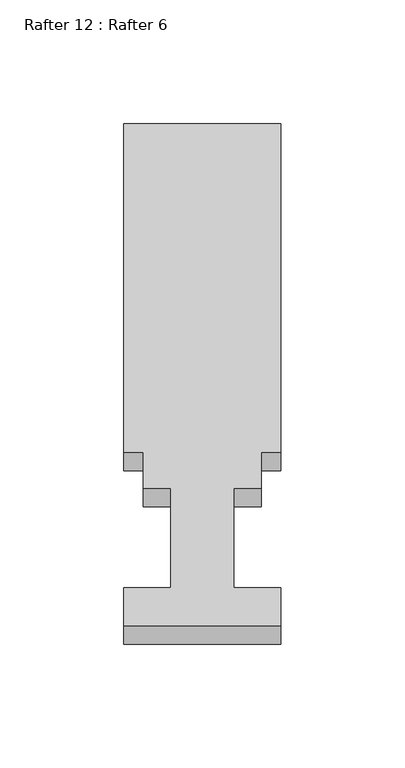
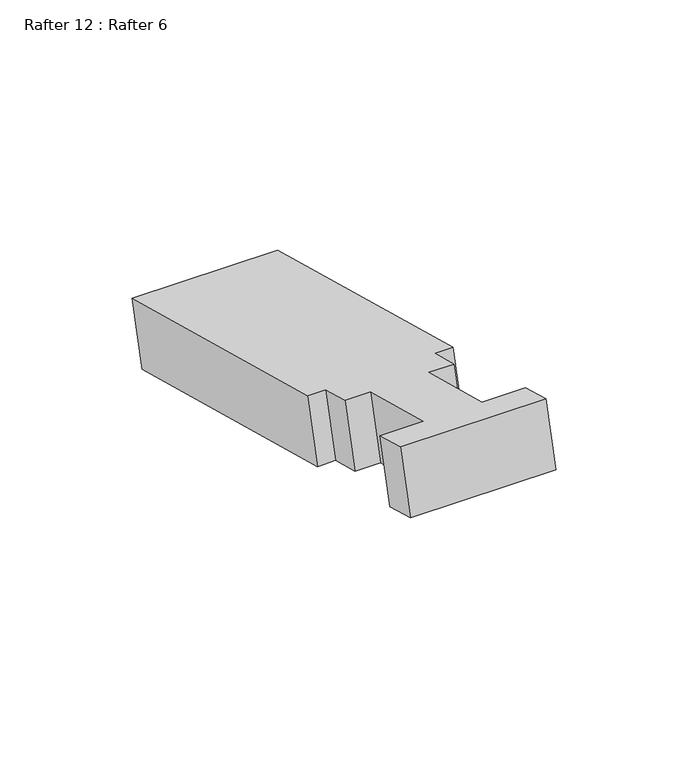
"""IFC4 building model written with IfcOpenShell, lengths in millimetres: proxy geometry, Rafter 12 : Rafter 6."""

from ifc_helpers import new_model, si_unit, frame, origin, place, context, project, spatial, polyline, outline, extrude, source, transform, mapped, element, save


def rafter_12_rafter_6_105c499f(model_context):
    return source(origin(), model_context, "Body", "SweptSolid", [
        extrude(outline(polyline([(-63.5, 0.0), (0.0, 0.0), (0.0, -15.875), (-19.05, -15.875), (-19.05, -57.531), (-7.9248, -57.531), (-7.9248, -72.5932), (0.0, -72.5932), (0.0, -209.9310001), (-63.5, -209.9310001), (-63.5, -72.5932), (-55.5752, -72.5932), (-55.5752, -57.531), (-44.45, -57.531), (-44.45, -15.875), (-63.5, -15.875), (-63.5, 0.0)])), frame((-2177.5232944, 2491.0335405, 927.5276005), z_axis=(0.0, 0.2588190451025275, 0.9659258262890665), x_axis=(-1.0, 0.0, 0.0)), (0.0, 0.0, 1.0), 29.1531507),
    ])


if __name__ == "__main__":
    model = new_model("IFC4")
    model_context = context("Model", 3, world=origin())
    ifc_project = project(units=[si_unit("LENGTHUNIT", "METRE", prefix="MILLI")], contexts=[model_context])
    site = spatial("IfcSite", under=ifc_project)
    building = spatial("IfcBuilding", under=site)
    placement = place(None, origin())
    rafter_12_rafter_6_shape = rafter_12_rafter_6_105c499f(model_context)
    element("IfcBuildingElementProxy", 1, Name="Rafter 12 : Rafter 6", ObjectType="Rafter 12 : Rafter 6", at=placement, inside=building, context=model_context, shape_type="MappedRepresentation", body=[
        mapped(rafter_12_rafter_6_shape, transform((0.0, 0.0, 0.0), x_axis=(1.0, 0.0, 0.0), y_axis=(0.0, 1.0, 0.0), z_axis=(0.0, 0.0, 1.0))),
    ])
    save(model, "model.ifc")
